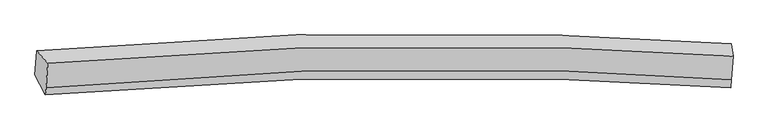
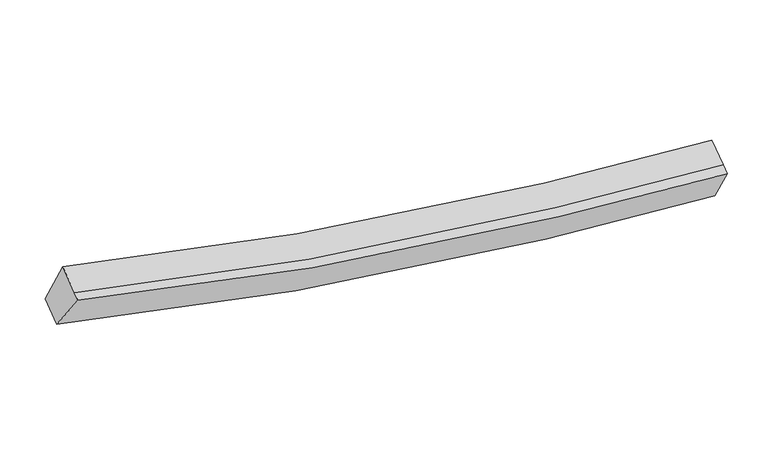
"""IFC4 building model written with IfcOpenShell, lengths in millimetres: proxy geometry."""

from ifc_helpers import new_model, si_unit, frame, origin, place, context, project, spatial, source, transform, mapped, element, save
from ifc_brep_helpers import plane_surface, spline_curve, spline_surface, advanced_brep


def generic_models_2612426a(model_context):
    return source(origin(), model_context, "Body", "AdvancedBrep", [
        advanced_brep(
        [(-6396.2539827, -1840.2750474, 4036.8531787), (-6209.5518807, -2049.6741162, 4694.8678202), (5282.1510409, -1933.8679358, 2955.8012221), (5252.8499913, -1722.2575415, 2273.1216465), (-6239.2019743, -2457.1942794, 4469.1175453), (5253.8545753, -2322.7834115, 2740.3572184), (-6248.0942014, -2579.4118302, 4401.4137893), (5243.6920301, -2462.4606124, 2662.9814972), (-6425.4422164, -2241.4472629, 3814.6194192), (5223.7450675, -2122.2847197, 2051.522193)],
        [
            (0, 1),
            (1, 2, spline_curve(3, [(-6209.5518807, -2049.6741162, 4694.8678202), (-3377.715834663, -1786.534923568, 3836.371728764), (-505.270126042, -1699.72269971, 3295.629302396), (3361.553883952, -1818.545626888, 2999.631393424), (4319.675815578, -1866.755790366, 2960.684954271), (5282.1510409, -1933.8679358, 2955.8012221)], [4, 2, 4], [0.0, 29.049803516782926, 38.561051328585215])),
            (2, 3),
            (3, 0, spline_curve(3, [(5252.8499913, -1722.2575415, 2273.1216465), (4284.013515039, -1654.731270313, 2278.093294622), (3317.907356605, -1606.253971519, 2317.606156412), (-587.866729169, -1486.943944997, 2617.84047503), (-3504.795229064, -1574.760412633, 3166.238124124), (-6396.2539827, -1840.2750474, 4036.8531787)], [4, 2, 4], [0.0, 9.511247811802289, 38.561051328585215])),
            (1, 4),
            (4, 5, spline_curve(3, [(-6239.2019743, -2457.1942794, 4469.1175453), (-3406.574802362, -2183.181603766, 3616.644939755), (-533.677883916, -2090.167817306, 3079.337936248), (3333.293856754, -2206.960279815, 2784.464826169), (4291.415788519, -2255.170443422, 2745.518386615), (5253.8545753, -2322.7834115, 2740.3572184)], [4, 2, 4], [0.0, 28.852873721509663, 38.2996443989558])),
            (5, 2),
            (4, 6),
            (6, 7, spline_curve(3, [(-6248.0942014, -2579.4118302, 4401.4137893), (-3416.209465157, -2315.603421941, 3543.288416837), (-543.735986043, -2228.409518612, 3002.757425528), (3323.097115662, -2347.107480189, 2706.828743825), (4281.219047344, -2395.317643519, 2667.882304274), (5243.6920301, -2462.4606124, 2662.9814972)], [4, 2, 4], [0.0, 28.85287399301155, 38.2996447593506])),
            (7, 5),
            (6, 8),
            (8, 9, spline_curve(3, [(-6425.4422164, -2241.4472629, 3814.6194192), (-3533.934772868, -1975.263412345, 2944.375083627), (-616.978503388, -1887.065266125, 2396.188870196), (3288.804675713, -2006.250326082, 2096.023777873), (4254.91083393, -2054.727625234, 2056.510915999), (5223.7450675, -2122.2847197, 2051.522193)], [4, 2, 4], [0.0, 29.04979964006903, 38.56104618258953])),
            (9, 7),
            (8, 0),
            (3, 9),
        ],
        [
            spline_surface(3, 3, [[(-6396.2539827, -1840.2750474, 4036.8531787), (-3504.79522921, -1574.760412681, 3166.238123757), (-587.866729576, -1486.943945064, 2617.84047485), (3317.907356738, -1606.253971497, 2317.606156471), (4284.013515104, -1654.731270461, 2278.093294658), (5252.8499913, -1722.2575415, 2273.1216465)], [(-6334.019948676, -1910.074737011, 4256.191392538), (-3462.43543098, -1645.351916255, 3389.61599207), (-560.334528279, -1557.870196606, 2843.770083946), (3332.456199094, -1677.017856644, 2544.947902182), (4295.900948566, -1725.406110467, 2505.623847815), (5262.617007843, -1792.79433959, 2500.681505029)], [(-6271.785914724, -1979.874426589, 4475.529606362), (-3420.075632823, -1715.943419798, 3612.993860367), (-532.80232696, -1628.796448114, 3069.69969297), (3347.005041472, -1747.781741758, 2772.28964782), (4307.788381998, -1796.080950504, 2733.154400986), (5272.384024357, -1863.33113771, 2728.241363571)], [(-6209.5518807, -2049.6741162, 4694.8678202), (-3377.715834593, -1786.534923372, 3836.371728679), (-505.270125662, -1699.722699655, 3295.629302067), (3361.553883828, -1818.545626905, 2999.631393531), (4319.67581546, -1866.755790511, 2960.684954143), (5282.1510409, -1933.8679358, 2955.8012221)]], [4, 4], [4, 2, 4], [0.0, 2.343286985584724], [0.0, 29.049803516782926, 38.561051328585215]),
            spline_surface(3, 3, [[(-6209.5518807, -2049.6741162, 4694.8678202), (-3377.715834593, -1786.534923372, 3836.371728679), (-505.270125662, -1699.722699655, 3295.629302067), (3361.553883828, -1818.545626905, 2999.631393531), (4319.67581546, -1866.755790511, 2960.684954143), (5282.1510409, -1933.8679358, 2955.8012221)], [(-6219.435245246, -2185.514170605, 4619.617728564), (-3387.335490474, -1918.75048339, 3763.129465559), (-514.739378426, -1829.87107217, 3223.532180191), (3352.133874817, -1948.017177885, 2927.909204387), (4310.255806448, -1996.227341491, 2888.962764999), (5272.718885707, -2063.506427699, 2883.986554198)], [(-6229.318609754, -2321.354224995, 4544.367636936), (-3396.955146318, -2050.96604339, 3689.887202447), (-524.20863121, -1960.019444688, 3151.435058323), (3342.713865785, -2077.488728868, 2856.187015249), (4300.835797416, -2125.698892474, 2817.240575861), (5263.286730493, -2193.144919601, 2812.171886302)], [(-6239.2019743, -2457.1942794, 4469.1175453), (-3406.5748022, -2183.181603408, 3616.644939327), (-533.677883974, -2090.167817203, 3079.337936447), (3333.293856773, -2206.960279849, 2784.464826104), (4291.415788405, -2255.170443454, 2745.518386716), (5253.8545753, -2322.7834115, 2740.3572184)]], [4, 4], [4, 2, 4], [0.0, 1.4733776775243332], [0.0, 28.852873721509663, 38.2996443989558]),
            spline_surface(3, 3, [[(-6239.2019743, -2457.1942794, 4469.1175453), (-3406.5748022, -2183.181603408, 3616.644939327), (-533.677883974, -2090.167817203, 3079.337936447), (3333.293856773, -2206.960279849, 2784.464826104), (4291.415788405, -2255.170443454, 2745.518386716), (5253.8545753, -2322.7834115, 2740.3572184)], [(-6242.166049989, -2497.933462999, 4446.549626637), (-3409.786356434, -2227.322209567, 3592.19276524), (-537.03058467, -2136.248384487, 3053.811099566), (3329.894943063, -2253.676013252, 2758.586131967), (4288.016874695, -2301.886176858, 2719.639692579), (5250.467060227, -2369.34247847, 2714.565311357)], [(-6245.130125711, -2538.672646601, 4423.981707963), (-3412.997910703, -2271.462815729, 3567.740591141), (-540.383285348, -2182.328951759, 3028.284262716), (3326.496029372, -2300.391746645, 2732.707437861), (4284.617961003, -2348.601910251, 2693.760998373), (5247.079545173, -2415.90154543, 2688.773404243)], [(-6248.0942014, -2579.4118302, 4401.4137893), (-3416.209464937, -2315.603421889, 3543.288417054), (-543.735986044, -2228.409519042, 3002.757425835), (3323.097115662, -2347.107480048, 2706.828743724), (4281.219047293, -2395.317643654, 2667.882304236), (5243.6920301, -2462.4606124, 2662.9814972)]], [4, 4], [4, 2, 4], [0.0, 0.5139011118392106], [0.0, 28.85287399301155, 38.2996447593506]),
            spline_surface(3, 3, [[(-6248.0942014, -2579.4118302, 4401.4137893), (-3416.209464937, -2315.603421889, 3543.288417054), (-543.735986044, -2228.409519042, 3002.757425835), (3323.097115662, -2347.107480048, 2706.828743724), (4281.219047293, -2395.317643654, 2667.882304236), (5243.6920301, -2462.4606124, 2662.9814972)], [(-6307.210206419, -2466.756974437, 4205.815665925), (-3455.451234162, -2202.156752162, 3343.650639204), (-568.150158335, -2114.628101348, 2800.567907201), (3311.666302311, -2233.488428748, 2503.227088476), (4272.449642837, -2281.787637494, 2464.091841542), (5237.043042562, -2349.068648157, 2459.161729134)], [(-6366.326211381, -2354.102118663, 4010.217542575), (-3494.69300333, -2088.710082425, 3144.012861381), (-592.564330666, -2000.846683645, 2598.378388552), (3300.235488922, -2119.869377439, 2299.625433212), (4263.680238394, -2168.257631363, 2260.301378845), (5230.394055038, -2235.676683943, 2255.341961066)], [(-6425.4422164, -2241.4472629, 3814.6194192), (-3533.934772555, -1975.263412697, 2944.375083532), (-616.978502957, -1887.065265951, 2396.188869918), (3288.804675572, -2006.250326139, 2096.023777964), (4254.910833938, -2054.727625203, 2056.510916151), (5223.7450675, -2122.2847197, 2051.522193)]], [4, 4], [4, 2, 4], [0.0, 2.2929318297756582], [0.0, 29.04979964006903, 38.56104618258953]),
            spline_surface(3, 3, [[(-6425.4422164, -2241.4472629, 3814.6194192), (-3533.934772555, -1975.263412697, 2944.375083532), (-616.978502957, -1887.065265951, 2396.188869918), (3288.804675572, -2006.250326139, 2096.023777964), (4254.910833938, -2054.727625203, 2056.510916151), (5223.7450675, -2122.2847197, 2051.522193)], [(-6415.712805171, -2107.723191048, 3888.697339036), (-3524.221591444, -1841.762412673, 3018.329430276), (-607.274578503, -1753.691492306, 2470.072738211), (3298.505569287, -1872.918207908, 2169.884570783), (4264.611727653, -1921.395506972, 2130.37170897), (5233.44670876, -1988.942326983, 2125.388677483)], [(-6405.983393929, -1973.999119252, 3962.775258864), (-3514.508410321, -1708.261412705, 3092.283777013), (-597.57065403, -1620.31771871, 2543.956606556), (3308.206463022, -1739.586089727, 2243.745363652), (4274.312621388, -1788.063388691, 2204.23250184), (5243.14835004, -1855.599934217, 2199.255162017)], [(-6396.2539827, -1840.2750474, 4036.8531787), (-3504.79522921, -1574.760412681, 3166.238123757), (-587.866729576, -1486.943945064, 2617.84047485), (3317.907356738, -1606.253971497, 2317.606156471), (4284.013515104, -1654.731270461, 2278.093294658), (5252.8499913, -1722.2575415, 2273.1216465)]], [4, 4], [4, 2, 4], [0.0, 1.504104368670132], [0.0, 29.246719764090813, 38.82244027448583]),
            plane_surface(frame((5250.6095324, -2060.2177023, 2485.8566397), z_axis=(0.9975739204646851, -0.04170153760208417, -0.055742757111038), x_axis=(-0.02849566087572407, 0.4859655610401033, -0.873513291710111))),
            plane_surface(frame((-6319.8355703, -2177.7020642, 4236.9385519), z_axis=(-0.9652861360712336, -0.06927773424848284, 0.2518397725659402), x_axis=(-0.06351590761359821, -0.8729825056921797, -0.4835982570640886))),
        ],
        [
            (0, [[1, 2, 3, 4]]),
            (1, [[5, 6, 7, -2]]),
            (2, [[8, 9, 10, -6]]),
            (3, [[11, 12, 13, -9]]),
            (4, [[14, -4, 15, -12]]),
            (5, [[-13, -15, -3, -7, -10]]),
            (6, [[-14, -11, -8, -5, -1]]),
        ],
    ),
    ])


if __name__ == "__main__":
    model = new_model("IFC4")
    model_context = context("Model", 3, world=origin())
    ifc_project = project(units=[si_unit("LENGTHUNIT", "METRE", prefix="MILLI")], contexts=[model_context])
    site = spatial("IfcSite", under=ifc_project)
    building = spatial("IfcBuilding", under=site)
    placement = place(None, origin())
    generic_models_shape = generic_models_2612426a(model_context)
    element("IfcBuildingElementProxy", 1, Name="Generic Models", at=placement, inside=building, context=model_context, shape_type="MappedRepresentation", body=[
        mapped(generic_models_shape, transform((0.0, 0.0, 0.0), x_axis=(1.0, 0.0, 0.0), y_axis=(0.0, 1.0, 0.0), z_axis=(0.0, 0.0, 1.0))),
    ])
    save(model, "model.ifc")
